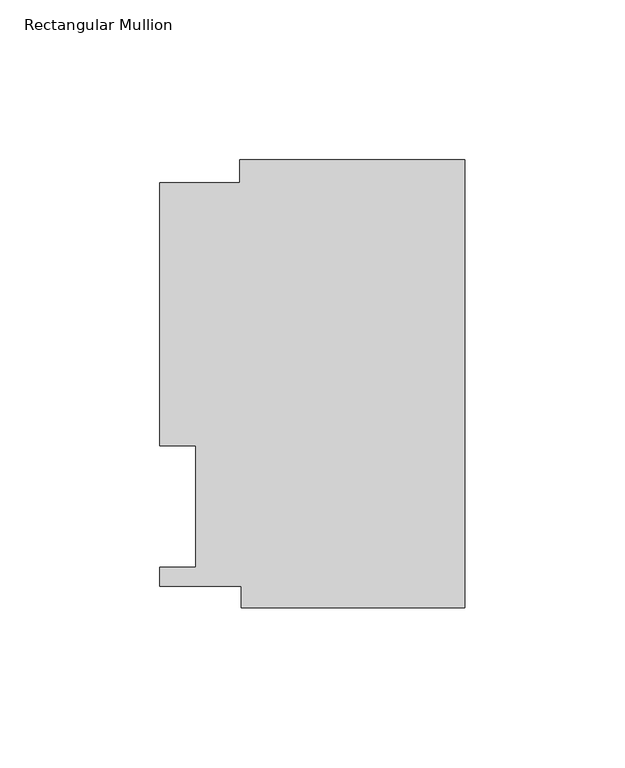
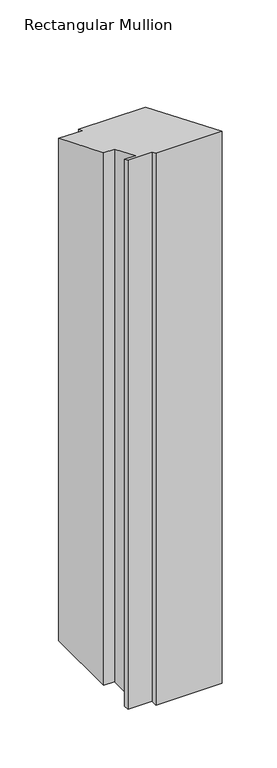
"""IFC4 building model written with IfcOpenShell, lengths in millimetres: member geometry, Rectangular Mullion."""

from ifc_helpers import new_model, si_unit, origin, place, context, project, spatial, faceted_brep, source, transform, mapped, element, save


def rectangular_mullion_c75e82c1(model_context):
    return source(origin(), model_context, "Body", "Brep", [
        faceted_brep([(-70.3072, 133.731, -610.3261906), (0.0, 133.731, -610.3261906), (0.0, -6.2260979, -610.3261906), (-69.85, -6.2260979, -610.3261906), (-69.85, 0.4064, -610.3261906), (-95.25, 0.4064, -610.3261906), (-95.25, 6.35, -610.3261906), (-84.1375, 6.35, -610.3261906), (-84.1375, 44.45, -610.3261906), (-95.25, 44.45, -610.3261906), (-95.25, 126.619, -610.3261906), (-70.3072, 126.619, -610.3261906), (-70.3072, 126.619, -52.4473071), (-70.3072, 133.731, -55.3931939), (-95.25, 126.619, -52.4473071), (-95.25, 44.45, -18.4117928), (-84.1375, 44.45, -18.4117928), (-84.1375, 6.35, -2.6302561), (-95.25, 6.35, -2.6302561), (-95.25, 0.4064, -0.1683364), (-69.85, 0.4064, -0.1683364), (-69.85, -6.2260979, 2.5789342), (0.0, -6.2260979, 2.5789342), (0.0, 133.731, -55.3931939)], [[[0, 1, 2, 3, 4, 5, 6, 7, 8, 9, 10, 11]], [[12, 13, 0, 11]], [[14, 12, 11, 10]], [[15, 14, 10, 9]], [[16, 15, 9, 8]], [[17, 16, 8, 7]], [[18, 17, 7, 6]], [[19, 18, 6, 5]], [[20, 19, 5, 4]], [[21, 20, 4, 3]], [[22, 21, 3, 2]], [[23, 22, 2, 1]], [[13, 23, 1, 0]], [[13, 12, 14, 15, 16, 17, 18, 19, 20, 21, 22, 23]]]),
    ])


if __name__ == "__main__":
    model = new_model("IFC4")
    model_context = context("Model", 3, world=origin())
    ifc_project = project(units=[si_unit("LENGTHUNIT", "METRE", prefix="MILLI")], contexts=[model_context])
    site = spatial("IfcSite", under=ifc_project)
    building = spatial("IfcBuilding", under=site)
    placement = place(None, origin())
    rectangular_mullion_shape = rectangular_mullion_c75e82c1(model_context)
    element("IfcMember", 1, ObjectType="Rectangular Mullion", at=placement, inside=building, context=model_context, shape_type="MappedRepresentation", body=[
        mapped(rectangular_mullion_shape, transform((0.0, 0.0, 0.0), x_axis=(1.0, 0.0, 0.0), y_axis=(0.0, 1.0, 0.0), z_axis=(0.0, 0.0, 1.0))),
    ])
    save(model, "model.ifc")
